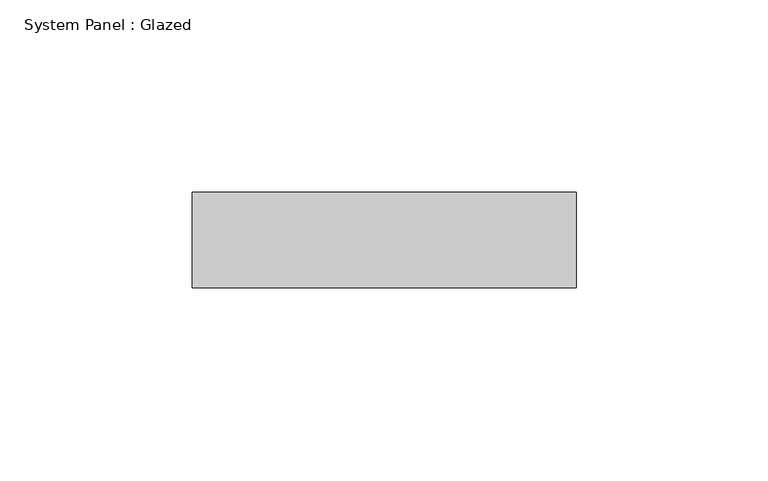
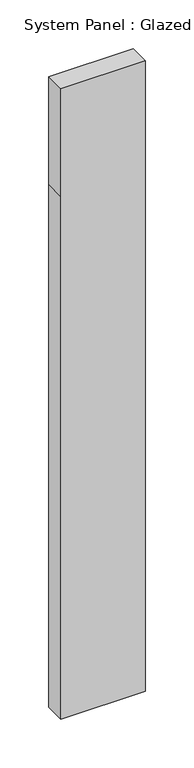
"""IFC4 building model written with IfcOpenShell, lengths in millimetres: plate geometry, System Panel : Glazed."""

from ifc_helpers import new_model, si_unit, frame, origin, place, context, project, spatial, polyline, outline, extrude, source, transform, mapped, element, save


def system_panel_glazed_8d82da35(model_context):
    return source(origin(), model_context, "Body", "SweptSolid", [
        extrude(outline(polyline([(0.0, -50.0), (0.0, 50.0), (655.0, 50.0), (790.0, 50.0), (790.0, -50.0), (655.0, -50.0), (0.0, -50.0)])), frame((0.0, -49.5, 0.0), z_axis=(0.0, 1.0, 0.0), x_axis=(0.0, 0.0, 1.0)), (0.0, 0.0, 1.0), 25.0),
    ])


if __name__ == "__main__":
    model = new_model("IFC4")
    model_context = context("Model", 3, world=origin())
    ifc_project = project(units=[si_unit("LENGTHUNIT", "METRE", prefix="MILLI")], contexts=[model_context])
    site = spatial("IfcSite", under=ifc_project)
    building = spatial("IfcBuilding", under=site)
    placement = place(None, origin())
    system_panel_glazed_shape = system_panel_glazed_8d82da35(model_context)
    element("IfcPlate", 1, ObjectType="System Panel : Glazed", at=placement, inside=building, context=model_context, shape_type="MappedRepresentation", body=[
        mapped(system_panel_glazed_shape, transform((0.0, 0.0, 0.0), x_axis=(1.0, 0.0, 0.0), y_axis=(0.0, 1.0, 0.0), z_axis=(0.0, 0.0, 1.0))),
    ])
    save(model, "model.ifc")
